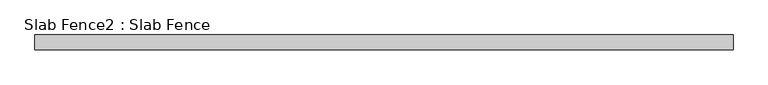
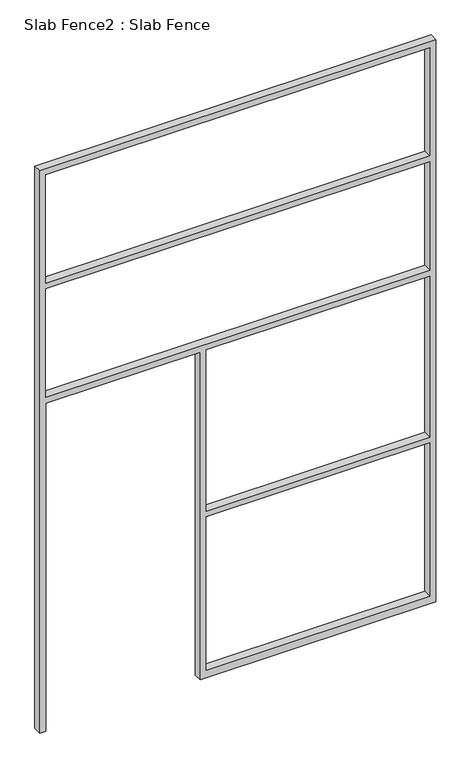
"""IFC4 building model written with IfcOpenShell, lengths in millimetres: proxy geometry, Slab Fence2 : Slab Fence."""

from ifc_helpers import new_model, si_unit, frame, origin, place, context, project, spatial, polyline, outline, extrude, source, transform, mapped, element, save


def slab_fence2_slab_fence_8c212870(model_context):
    return source(origin(), model_context, "Body", "SweptSolid", [
        extrude(outline(polyline([(3657.6, -10883.9098205), (0.0, -10883.9098205), (0.0, -10845.8098205), (2133.6, -10845.8098205), (2133.6, -9896.4848205), (0.0, -9896.4848205), (0.0, -9858.3848205), (0.0, -8445.5098205), (3657.6, -8445.5098205), (3657.6, -10883.9098205)]), holes=[polyline([(2876.55, -10845.8098205), (2876.55, -8483.6098205), (2171.7, -8483.6098205), (2171.7, -10845.8098205), (2876.55, -10845.8098205)]), polyline([(3619.5, -8483.6098205), (2914.65, -8483.6098205), (2914.65, -10845.8098205), (3619.5, -10845.8098205), (3619.5, -8483.6098205)]), polyline([(1085.85, -9858.3848205), (2133.6, -9858.3848205), (2133.6, -8483.6098205), (1085.85, -8483.6098205), (1085.85, -9858.3848205)]), polyline([(1047.75, -8483.6098205), (50.8, -8483.6098205), (50.8, -9858.3848205), (1047.75, -9858.3848205), (1047.75, -8483.6098205)])]), frame((0.0, 21787.866085, 0.0), z_axis=(0.0, 1.0, 0.0), x_axis=(0.0, 0.0, 1.0)), (0.0, 0.0, 1.0), 52.001598),
    ])


if __name__ == "__main__":
    model = new_model("IFC4")
    model_context = context("Model", 3, world=origin())
    ifc_project = project(units=[si_unit("LENGTHUNIT", "METRE", prefix="MILLI")], contexts=[model_context])
    site = spatial("IfcSite", under=ifc_project)
    building = spatial("IfcBuilding", under=site)
    placement = place(None, origin())
    slab_fence2_slab_fence_shape = slab_fence2_slab_fence_8c212870(model_context)
    element("IfcBuildingElementProxy", 1, Name="Slab Fence2 : Slab Fence", ObjectType="Slab Fence2 : Slab Fence", at=placement, inside=building, context=model_context, shape_type="MappedRepresentation", body=[
        mapped(slab_fence2_slab_fence_shape, transform((0.0, 0.0, 0.0), x_axis=(1.0, 0.0, 0.0), y_axis=(0.0, 1.0, 0.0), z_axis=(0.0, 0.0, 1.0))),
    ])
    save(model, "model.ifc")
